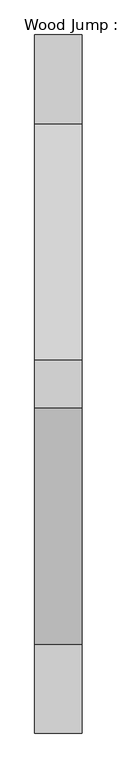
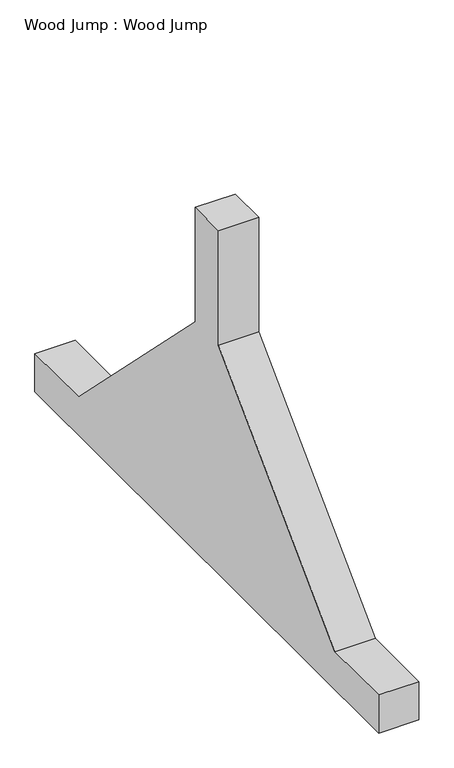
"""IFC4 building model written with IfcOpenShell, lengths in millimetres: proxy geometry, Wood Jump : Wood Jump."""

import ifcopenshell
import ifcopenshell.guid

model = None  # the IFC model being written
_history = None  # IfcOwnerHistory: only IFC2X3 demands one
_inside = {}  # id of a spatial element -> (the spatial element, [elements in it])
_under = {}  # id of a project, library or spatial element -> (it, [spatial elements below it])
_declared = {}  # id of a project -> (the project, [libraries it declares])
_typed = {}  # id of a type object -> (the type object, [elements of that type])
_made_of = {}  # id of a material, layer set ... -> (it, [elements and type objects made of it])


def new_model(schema):
    """Start an empty IFC model of exactly this schema.

    Asked for "IFC4X3", IfcOpenShell would pick the latest addendum, in which some entities
    have other attributes; the version numbers below select the first issue.
    IFC2X3 requires an IfcOwnerHistory on every rooted entity: one is made here for all.
    """
    global model, _history
    if schema == "IFC4X3":
        model = ifcopenshell.file(schema_version=(4, 3, 0, 0))
    else:
        model = ifcopenshell.file(schema=schema)
    _inside.clear()
    _under.clear()
    _declared.clear()
    _typed.clear()
    _made_of.clear()
    _history = None
    if model.schema == "IFC2X3":
        org = make("IfcOrganization", Name="unknown")
        user = make(
            "IfcPersonAndOrganization",
            ThePerson=make("IfcPerson", FamilyName="unknown"),
            TheOrganization=org,
        )
        app = make(
            "IfcApplication",
            ApplicationDeveloper=org,
            Version="unknown",
            ApplicationFullName="unknown",
            ApplicationIdentifier="unknown",
        )
        _history = make(
            "IfcOwnerHistory",
            OwningUser=user,
            OwningApplication=app,
            ChangeAction="ADDED",
            CreationDate=0,
        )
    return model


def make(cls, **values):
    """One entity of the class cls with the attributes given. An attribute that is None is left unset."""
    return model.create_entity(
        cls, **{name: value for name, value in values.items() if value is not None}
    )


def rooted(cls, **values):
    """An entity with a GlobalId (a new one), such as an element, a storey or a relation."""
    return make(cls, GlobalId=ifcopenshell.guid.new(), OwnerHistory=_history, **values)


def si_unit(unit_type, name, prefix=None):
    """IfcSIUnit, for example si_unit("LENGTHUNIT", "METRE", prefix="MILLI")."""
    return make("IfcSIUnit", UnitType=unit_type, Prefix=prefix, Name=name)


def assignment(units):
    """IfcUnitAssignment: the units of a project."""
    return None if units is None else make("IfcUnitAssignment", Units=units)


def point(xyz):
    """IfcCartesianPoint."""
    return None if xyz is None else make("IfcCartesianPoint", Coordinates=xyz)


def direction(xyz):
    """IfcDirection."""
    return None if xyz is None else make("IfcDirection", DirectionRatios=xyz)


def frame(location, z_axis=None, x_axis=None):
    """IfcAxis2Placement3D, a coordinate frame: its origin and axes. An axis left out is left unset."""
    return make(
        "IfcAxis2Placement3D",
        Location=point(location),
        Axis=direction(z_axis),
        RefDirection=direction(x_axis),
    )


def origin():
    """The frame at (0, 0, 0) with its axes left unset."""
    return frame((0.0, 0.0, 0.0))


def place(relative_to, where):
    """IfcLocalPlacement: puts the frame where relative to a parent placement (None: the world)."""
    return make(
        "IfcLocalPlacement", PlacementRelTo=relative_to, RelativePlacement=where
    )


def context(
    kind, dimensions, precision=None, world=None, true_north=None, identifier=None
):
    """IfcGeometricRepresentationContext, for example the 3D "Model" context."""
    return make(
        "IfcGeometricRepresentationContext",
        ContextIdentifier=identifier,
        ContextType=kind,
        CoordinateSpaceDimension=dimensions,
        Precision=precision,
        WorldCoordinateSystem=world,
        TrueNorth=true_north,
    )


def project(units=None, contexts=None):
    """IfcProject with its units and contexts."""
    return rooted(
        "IfcProject",
        Name="project",
        RepresentationContexts=contexts,
        UnitsInContext=assignment(units),
    )


def spatial(cls, under=None, at=None, **own):
    """A site, building, storey or space (cls), placed at a placement, below another one or the project."""
    s = rooted(cls, ObjectPlacement=at, **own)
    if under is not None:
        _under.setdefault(under.id(), (under, []))[1].append(s)
    return s


def polyline(points):
    """IfcPolyline through the points."""
    return make("IfcPolyline", Points=[point(p) for p in points])


def outline(outer, holes=None, kind="AREA"):
    """IfcArbitraryClosedProfileDef: a profile drawn as a closed curve; with holes, ...WithVoids."""
    if holes is None:
        return make("IfcArbitraryClosedProfileDef", ProfileType=kind, OuterCurve=outer)
    return make(
        "IfcArbitraryProfileDefWithVoids",
        ProfileType=kind,
        OuterCurve=outer,
        InnerCurves=holes,
    )


def extrude(swept, where, along, depth):
    """IfcExtrudedAreaSolid: the profile swept, set in the frame where, extruded along a direction by depth."""
    return make(
        "IfcExtrudedAreaSolid",
        SweptArea=swept,
        Position=where,
        ExtrudedDirection=direction(along),
        Depth=depth,
    )


def shape(context_of_items, identifier, shape_type, items):
    """IfcShapeRepresentation: the items that make up one representation, for example the "Body"."""
    return make(
        "IfcShapeRepresentation",
        ContextOfItems=context_of_items,
        RepresentationIdentifier=identifier,
        RepresentationType=shape_type,
        Items=items,
    )


def source(mapping_origin, context_of_items, identifier, shape_type, items):
    """IfcRepresentationMap: a shape defined once, which mapped items show again and again."""
    return make(
        "IfcRepresentationMap",
        MappingOrigin=mapping_origin,
        MappedRepresentation=shape(context_of_items, identifier, shape_type, items),
    )


def transform(
    local_origin,
    x_axis=None,
    y_axis=None,
    z_axis=None,
    scale=None,
    scale2=None,
    scale3=None,
    uniform=True,
):
    """IfcCartesianTransformationOperator3D, or its non-uniform kind. x_axis, y_axis, z_axis: its Axis1, 2, 3."""
    if uniform:
        return make(
            "IfcCartesianTransformationOperator3D",
            Axis1=direction(x_axis),
            Axis2=direction(y_axis),
            LocalOrigin=point(local_origin),
            Scale=scale,
            Axis3=direction(z_axis),
        )
    return make(
        "IfcCartesianTransformationOperator3DnonUniform",
        Axis1=direction(x_axis),
        Axis2=direction(y_axis),
        LocalOrigin=point(local_origin),
        Scale=scale,
        Axis3=direction(z_axis),
        Scale2=scale2,
        Scale3=scale3,
    )


def mapped(mapping_source, mapping_target):
    """IfcMappedItem: shows the shape of a source again, moved by a transform."""
    return make(
        "IfcMappedItem", MappingSource=mapping_source, MappingTarget=mapping_target
    )


def made_of(thing, what):
    """Note that an element or type object is made of a material, layer set ...; save() writes the relation."""
    if what is not None:
        _made_of.setdefault(what.id(), (what, []))[1].append(thing)
    return thing


def element(
    cls,
    number,
    at=None,
    inside=None,
    cuts=None,
    type_object=None,
    material=None,
    context=None,
    identifier="Body",
    shape_type=None,
    held_by="IfcProductDefinitionShape",
    body=None,
    shapes=None,
    **own,
):
    """One element of the class cls, such as IfcWall. Its Tag is "e" and its number.

    at: its placement. inside: the storey or other place that contains it. cuts: it is an
    opening in that element (IfcRelVoidsElement). A single representation is given by context,
    identifier, shape_type and body (its items); several are given by shapes. held_by: the class
    of the entity that holds the representations. save() writes the other relations.
    """
    e = rooted(cls, Tag="e%d" % number, ObjectPlacement=at, **own)
    if body is not None:
        shapes = [shape(context, identifier, shape_type, body)]
    if shapes is not None:
        e.Representation = make(held_by, Representations=shapes)
    if inside is not None:
        _inside.setdefault(inside.id(), (inside, []))[1].append(e)
    if cuts is not None:
        rooted(
            "IfcRelVoidsElement", RelatingBuildingElement=cuts, RelatedOpeningElement=e
        )
    if type_object is not None:
        _typed.setdefault(type_object.id(), (type_object, []))[1].append(e)
    return made_of(e, material)


def aggregate(whole, parts):
    """IfcRelAggregates: a whole, such as a stair, and the parts it consists of."""
    return rooted("IfcRelAggregates", RelatingObject=whole, RelatedObjects=parts)


def save(model, path):
    """Write the relations noted so far, then the file.

    IfcRelAggregates (storeys below a building ...), IfcRelContainedInSpatialStructure (elements
    in a storey), IfcRelDefinesByType, IfcRelAssociatesMaterial and IfcRelDeclares: one each for
    every whole, place, type object, material and project.
    """
    for whole, parts in _under.values():
        aggregate(whole, parts)
    for where, things in _inside.values():
        rooted(
            "IfcRelContainedInSpatialStructure",
            RelatedElements=things,
            RelatingStructure=where,
        )
    for kind, things in _typed.values():
        rooted("IfcRelDefinesByType", RelatedObjects=things, RelatingType=kind)
    for what, things in _made_of.values():
        rooted("IfcRelAssociatesMaterial", RelatedObjects=things, RelatingMaterial=what)
    for by, libraries in _declared.values():
        rooted("IfcRelDeclares", RelatingContext=by, RelatedDefinitions=libraries)
    model.write(path)


def wood_jump_wood_jump_823e3afc(model_context):
    return source(origin(), model_context, "Body", "SweptSolid", [
        extrude(outline(polyline([(-67435.4472837, 0.0), (-67435.4472837, 101.6), (-67244.9472837, 101.6), (-66736.9472837, 609.6), (-66736.9472837, 914.4), (-66635.3472837, 914.4), (-66635.3472837, 609.6), (-66127.3472837, 101.6), (-65936.8472837, 101.6), (-65936.8472837, 0.0), (-67435.4472837, 0.0)])), frame((260568.8073237, 0.0, 0.0), z_axis=(1.0, 0.0, 0.0), x_axis=(0.0, 1.0, 0.0)), (0.0, 0.0, 1.0), 101.6),
    ])


if __name__ == "__main__":
    model = new_model("IFC4")
    model_context = context("Model", 3, world=origin())
    ifc_project = project(units=[si_unit("LENGTHUNIT", "METRE", prefix="MILLI")], contexts=[model_context])
    site = spatial("IfcSite", under=ifc_project)
    building = spatial("IfcBuilding", under=site)
    placement = place(None, origin())
    wood_jump_wood_jump_shape = wood_jump_wood_jump_823e3afc(model_context)
    element("IfcBuildingElementProxy", 1, Name="Wood Jump : Wood Jump", ObjectType="Wood Jump : Wood Jump", at=placement, inside=building, context=model_context, shape_type="MappedRepresentation", body=[
        mapped(wood_jump_wood_jump_shape, transform((0.0, 0.0, 0.0), x_axis=(1.0, 0.0, 0.0), y_axis=(0.0, 1.0, 0.0), z_axis=(0.0, 0.0, 1.0))),
    ])
    save(model, "model.ifc")
